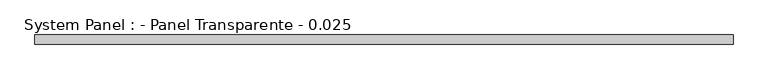
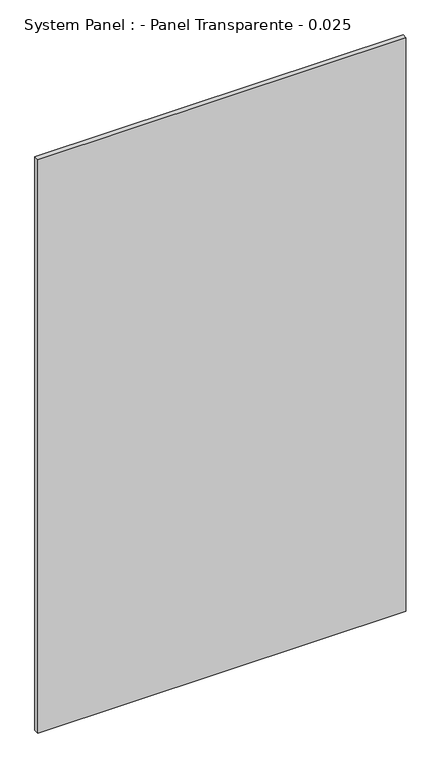
"""IFC4 building model written with IfcOpenShell, lengths in millimetres: plate geometry, System Panel : - Panel Transparente - 0.025."""

from ifc_helpers import new_model, si_unit, origin, origin_with_axes, place, context, project, spatial, polyline, outline, extrude, source, transform, mapped, element, save


def system_panel_panel_transparente_0_025_4ddbda99(model_context):
    return source(origin(), model_context, "Body", "SweptSolid", [
        extrude(outline(polyline([(920.0, -37.5), (-920.0, -37.5), (-920.0, -12.5), (920.0, -12.5), (920.0, -37.5)])), origin_with_axes(), (0.0, 0.0, 1.0), 3030.0),
    ])


if __name__ == "__main__":
    model = new_model("IFC4")
    model_context = context("Model", 3, world=origin())
    ifc_project = project(units=[si_unit("LENGTHUNIT", "METRE", prefix="MILLI")], contexts=[model_context])
    site = spatial("IfcSite", under=ifc_project)
    building = spatial("IfcBuilding", under=site)
    placement = place(None, origin())
    system_panel_panel_transparente_0_025_shape = system_panel_panel_transparente_0_025_4ddbda99(model_context)
    element("IfcPlate", 1, ObjectType="System Panel : - Panel Transparente - 0.025", at=placement, inside=building, context=model_context, shape_type="MappedRepresentation", body=[
        mapped(system_panel_panel_transparente_0_025_shape, transform((0.0, 0.0, 0.0), x_axis=(1.0, 0.0, 0.0), y_axis=(0.0, 1.0, 0.0), z_axis=(0.0, 0.0, 1.0))),
    ])
    save(model, "model.ifc")
